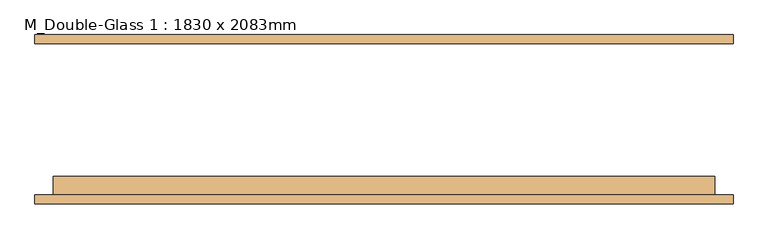
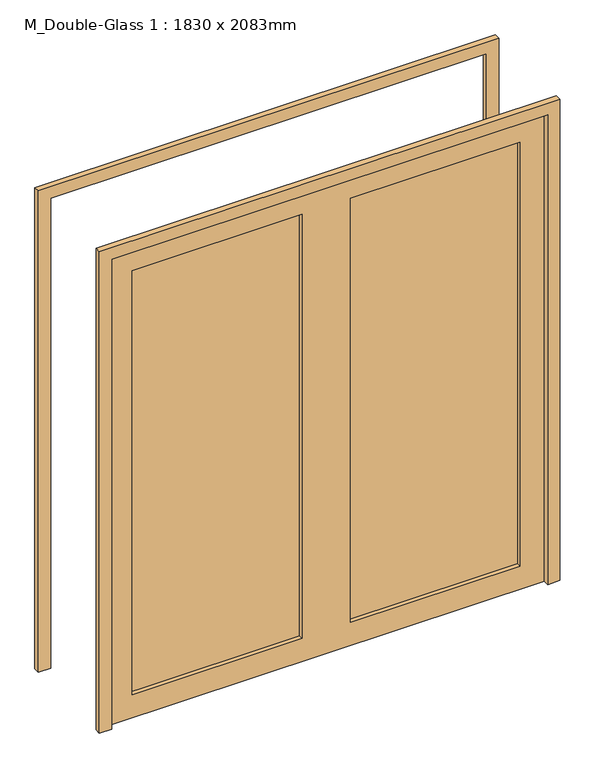
"""IFC4 building model written with IfcOpenShell, lengths in millimetres: door geometry, M_Double-Glass 1 : 1830 x 2083mm."""

from ifc_helpers import new_model, si_unit, frame, origin, place, context, project, spatial, polyline, outline, extrude, source, transform, mapped, element, save


def m_double_glass_1_1830_x_2083mm_88882d88(model_context):
    return source(origin(), model_context, "Body", "SweptSolid", [
        extrude(outline(polyline([(0.0, 966.0), (2134.0, 966.0), (2134.0, -966.0), (0.0, -966.0), (0.0, -915.0), (2083.0, -915.0), (2083.0, 915.0), (0.0, 915.0), (0.0, 966.0)])), frame((0.0, 207.11875, 0.0), z_axis=(0.0, 1.0, 0.0), x_axis=(0.0, 0.0, 1.0)), (0.0, 0.0, 1.0), 25.0),
        extrude(outline(polyline([(2083.0, 915.0), (0.0, 915.0), (0.0, 966.0), (2134.0, 966.0), (2134.0, -966.0), (0.0, -966.0), (0.0, -915.0), (2083.0, -915.0), (2083.0, 915.0)])), frame((0.0, -236.88125, 0.0), z_axis=(0.0, 1.0, 0.0), x_axis=(0.0, 0.0, 1.0)), (0.0, 0.0, 1.0), 25.0),
        extrude(outline(polyline([(813.4, -186.48125), (813.4, -193.625), (101.6, -193.625), (101.6, -186.48125), (813.4, -186.48125)])), frame((0.0, 0.0, 102.0), z_axis=(0.0, 0.0, 1.0), x_axis=(1.0, 0.0, 0.0)), (0.0, 0.0, 1.0), 1879.0),
        extrude(outline(polyline([(-101.6, -186.48125), (-101.6, -193.625), (-813.4, -193.625), (-813.4, -186.48125), (-101.6, -186.48125)])), frame((0.0, 0.0, 102.0), z_axis=(0.0, 0.0, 1.0), x_axis=(1.0, 0.0, 0.0)), (0.0, 0.0, 1.0), 1879.0),
        extrude(outline(polyline([(2083.0, 915.0), (2083.0, -915.0), (0.0, -915.0), (0.0, 915.0), (2083.0, 915.0)]), holes=[polyline([(1981.0, -101.6), (102.0, -101.6), (102.0, -813.4), (1981.0, -813.4), (1981.0, -101.6)]), polyline([(1981.0, 813.4), (102.0, 813.4), (102.0, 101.6), (1981.0, 101.6), (1981.0, 813.4)])]), frame((0.0, -211.88125, 0.0), z_axis=(0.0, 1.0, 0.0), x_axis=(0.0, 0.0, 1.0)), (0.0, 0.0, 1.0), 51.0),
    ])


if __name__ == "__main__":
    model = new_model("IFC4")
    model_context = context("Model", 3, world=origin())
    ifc_project = project(units=[si_unit("LENGTHUNIT", "METRE", prefix="MILLI")], contexts=[model_context])
    site = spatial("IfcSite", under=ifc_project)
    building = spatial("IfcBuilding", under=site)
    placement = place(None, origin())
    m_double_glass_1_1830_x_2083mm_shape = m_double_glass_1_1830_x_2083mm_88882d88(model_context)
    element("IfcDoor", 1, ObjectType="M_Double-Glass 1 : 1830 x 2083mm", at=placement, inside=building, context=model_context, shape_type="MappedRepresentation", body=[
        mapped(m_double_glass_1_1830_x_2083mm_shape, transform((0.0, 0.0, 0.0), x_axis=(1.0, 0.0, 0.0), y_axis=(0.0, 1.0, 0.0), z_axis=(0.0, 0.0, 1.0))),
    ])
    save(model, "model.ifc")
